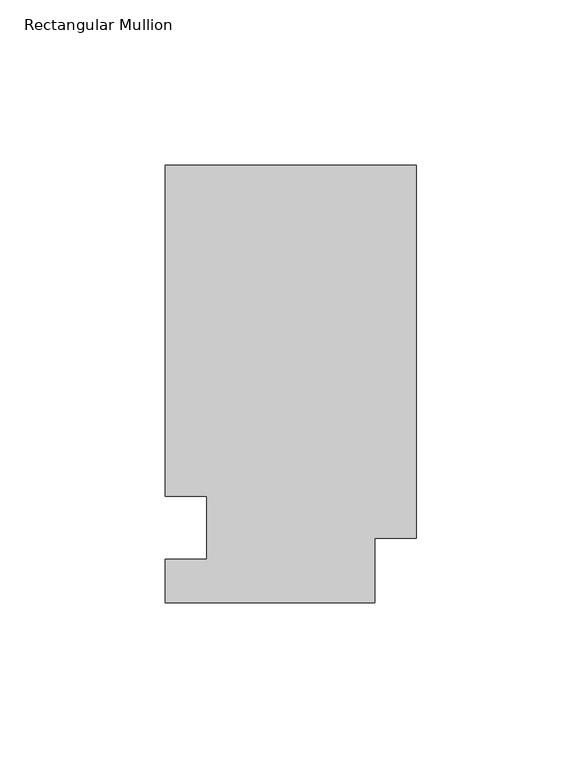
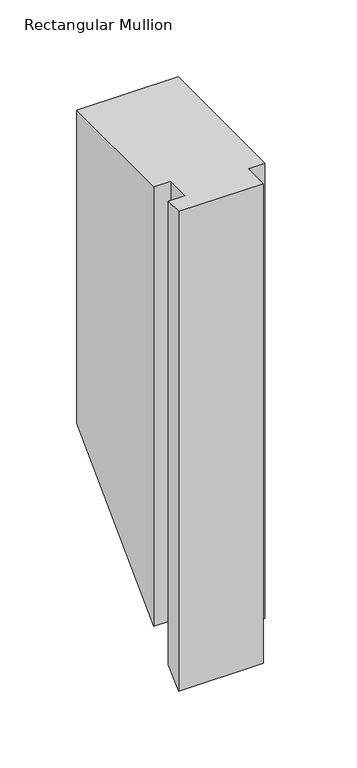
"""IFC4 building model written with IfcOpenShell, lengths in millimetres: member geometry, Rectangular Mullion."""

from ifc_helpers import new_model, si_unit, origin, place, context, project, spatial, faceted_brep, source, transform, mapped, element, save


def rectangular_mullion_d3a06fce(model_context):
    return source(origin(), model_context, "Body", "Brep", [
        faceted_brep([(0.0, 132.6522937, 0.0), (-76.2, 132.6522938, 0.0), (-76.2, 32.2460938, 0.0), (-63.5, 32.2460937, 0.0), (-63.5, 13.1960937, 0.0), (-76.2, 13.1960938, 0.0), (-76.2, 0.0134938, 0.0), (-12.7, 0.0134938, 0.0), (-12.7, 19.5460938, 0.0), (0.0, 19.5460937, 0.0), (0.0, 132.6522937, -248.8438), (-76.2, 132.6522938, -248.8438), (-76.2, 32.2460938, -349.25), (-63.5, 32.2460937, -349.25), (-63.5, 13.1960937, -368.3), (-76.2, 13.1960938, -368.3), (-76.2, 0.0134938, -381.4826), (-12.7, 0.0134938, -381.4826), (-12.7, 19.5460938, -361.95), (0.0, 19.5460937, -361.95)], [[[0, 1, 2, 3, 4, 5, 6, 7, 8, 9]], [[1, 0, 10, 11]], [[2, 1, 11, 12]], [[3, 2, 12, 13]], [[4, 3, 13, 14]], [[5, 4, 14, 15]], [[6, 5, 15, 16]], [[7, 6, 16, 17]], [[8, 7, 17, 18]], [[9, 8, 18, 19]], [[0, 9, 19, 10]], [[10, 19, 18, 17, 16, 15, 14, 13, 12, 11]]]),
    ])


if __name__ == "__main__":
    model = new_model("IFC4")
    model_context = context("Model", 3, world=origin())
    ifc_project = project(units=[si_unit("LENGTHUNIT", "METRE", prefix="MILLI")], contexts=[model_context])
    site = spatial("IfcSite", under=ifc_project)
    building = spatial("IfcBuilding", under=site)
    placement = place(None, origin())
    rectangular_mullion_shape = rectangular_mullion_d3a06fce(model_context)
    element("IfcMember", 1, ObjectType="Rectangular Mullion", at=placement, inside=building, context=model_context, shape_type="MappedRepresentation", body=[
        mapped(rectangular_mullion_shape, transform((0.0, 0.0, 0.0), x_axis=(1.0, 0.0, 0.0), y_axis=(0.0, 1.0, 0.0), z_axis=(0.0, 0.0, 1.0))),
    ])
    save(model, "model.ifc")
